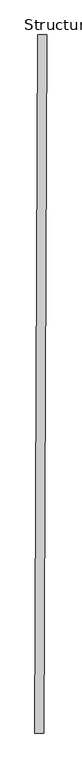
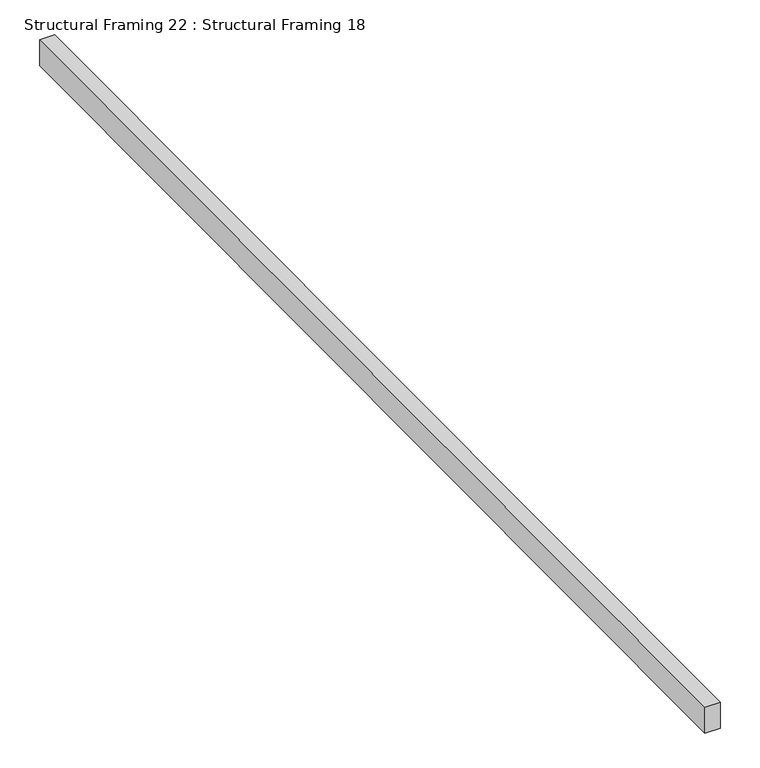
"""IFC4 building model written with IfcOpenShell, lengths in millimetres: beam geometry, Structural Framing 22 : Structural Framing 18."""

from ifc_helpers import new_model, si_unit, frame, origin, place, context, project, spatial, polyline, outline, extrude, source, transform, mapped, element, save


def structural_framing_22_structural_framing_18_e960012a(model_context):
    return source(origin(), model_context, "Body", "SweptSolid", [
        extrude(outline(polyline([(-49218.7445607, 35486.1392211), (-49235.2214841, 31445.2315429), (-49287.6163121, 31445.4451844), (-49271.1393887, 35486.3528626), (-49218.7445607, 35486.1392211)])), frame((0.0, 0.0, 109983.5320372), z_axis=(0.0, 0.0, 1.0), x_axis=(1.0, 0.0, 0.0)), (0.0, 0.0, 1.0), 95.5416855),
    ])


if __name__ == "__main__":
    model = new_model("IFC4")
    model_context = context("Model", 3, world=origin())
    ifc_project = project(units=[si_unit("LENGTHUNIT", "METRE", prefix="MILLI")], contexts=[model_context])
    site = spatial("IfcSite", under=ifc_project)
    building = spatial("IfcBuilding", under=site)
    placement = place(None, origin())
    structural_framing_22_structural_framing_18_shape = structural_framing_22_structural_framing_18_e960012a(model_context)
    element("IfcBeam", 1, ObjectType="Structural Framing 22 : Structural Framing 18", at=placement, inside=building, context=model_context, shape_type="MappedRepresentation", body=[
        mapped(structural_framing_22_structural_framing_18_shape, transform((0.0, 0.0, 0.0), x_axis=(1.0, 0.0, 0.0), y_axis=(0.0, 1.0, 0.0), z_axis=(0.0, 0.0, 1.0))),
    ])
    save(model, "model.ifc")
